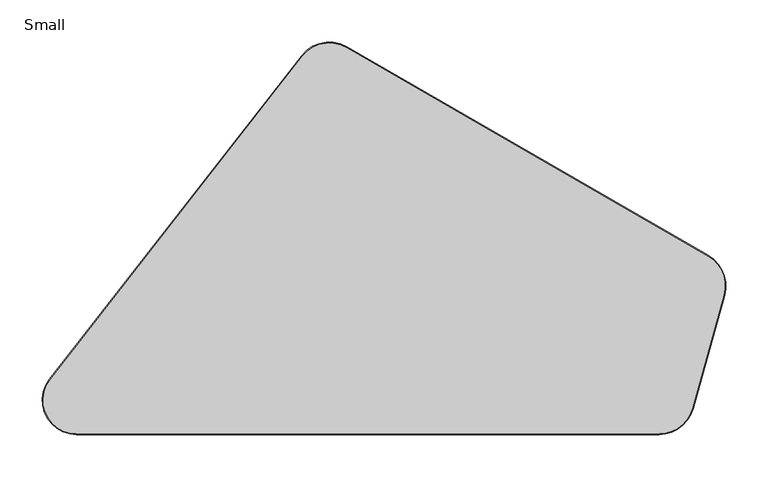
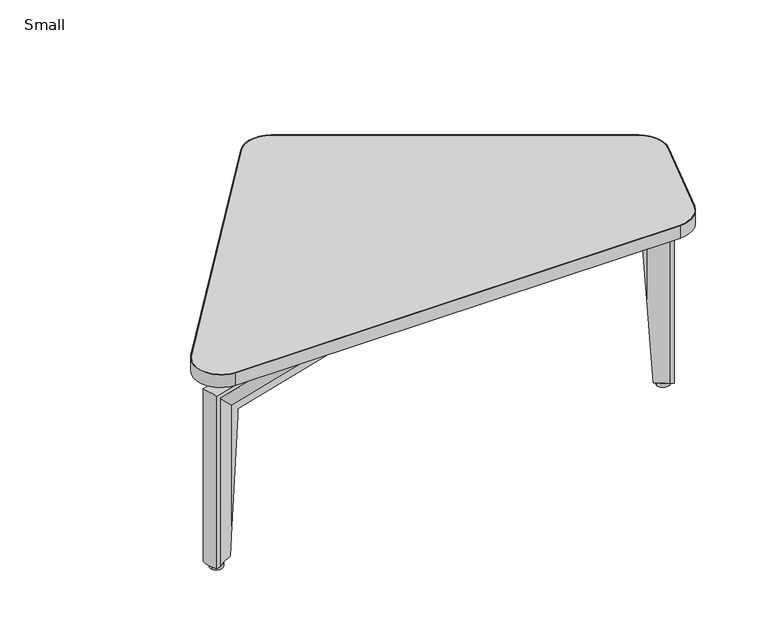
"""IFC4 building model written with IfcOpenShell, lengths in millimetres: furniture geometry, Small."""

from ifc_helpers import new_model, si_unit, point, frame, frame_2d, origin, origin_with_axes, place, context, project, spatial, polyline, circle_curve, ellipse_curve, trimmed, segment, composite_curve, outline, extrude, source, transform, mapped, element, save
from ifc_brep_helpers import plane_surface, cylinder_surface, revolved_surface, advanced_brep


def small_e50efd84(model_context):
    return source(origin(), model_context, "Body", "SolidModel", [
        extrude(outline(composite_curve([segment(trimmed(circle_curve(frame_2d((40.6545203, 40.407169)), 40.5398584), [point((40.6545203, -0.1326894))], [point((8.67386, 65.3213715))], False, "CARTESIAN"), True, "CONTINUOUS"), segment(polyline([(8.67386, 65.3213715), (307.2283656, 448.5554009)]), True, "CONTINUOUS"), segment(trimmed(circle_curve(frame_2d((340.1141774, 422.9360495)), 41.6872617), [point((307.2283656, 448.5554009))], [point((360.9578078, 459.0382773))], False, "CARTESIAN"), True, "CONTINUOUS"), segment(polyline([(360.9578078, 459.0382773), (788.8419106, 211.9992817)]), True, "CONTINUOUS"), segment(trimmed(circle_curve(frame_2d((768.013911, 175.9241273)), 41.656), [point((788.8419106, 211.9992817))], [point((808.1468882, 164.7631919))], False, "CARTESIAN"), True, "CONTINUOUS"), segment(polyline([(808.1468882, 164.7631919), (770.7701738, 30.3623752)]), True, "CONTINUOUS"), segment(trimmed(circle_curve(frame_2d((730.6371966, 41.5233106)), 41.656), [point((770.7701738, 30.3623752))], [point((730.6371966, -0.1326894))], False, "CARTESIAN"), True, "CONTINUOUS"), segment(polyline([(730.6371966, -0.1326894), (40.6545203, -0.1326894)]), True, "CONTINUOUS")], self_intersect=False), holes=[composite_curve([segment(trimmed(circle_curve(frame_2d((730.6371966, 41.5233106)), 40.64), [point((730.6371966, 0.8833106))], [point((769.7913206, 30.6345932))], True, "CARTESIAN"), True, "CONTINUOUS"), segment(polyline([(769.7913206, 30.6345932), (807.1680351, 165.0354098)]), True, "CONTINUOUS"), segment(trimmed(circle_curve(frame_2d((768.013911, 175.9241273)), 40.64), [point((807.1680351, 165.0354098))], [point((788.3339106, 211.1193999))], True, "CARTESIAN"), True, "CONTINUOUS"), segment(polyline([(788.3339106, 211.1193999), (360.4498078, 458.1583955)]), True, "CONTINUOUS"), segment(trimmed(circle_curve(frame_2d((340.1141774, 422.9360495)), 40.6712617), [point((360.4498078, 458.1583955))], [point((308.0298571, 447.9310073))], True, "CARTESIAN"), True, "CONTINUOUS"), segment(polyline([(308.0298571, 447.9310073), (9.4753515, 64.6969778)]), True, "CONTINUOUS"), segment(trimmed(circle_curve(frame_2d((40.6545203, 40.407169)), 39.5238584), [point((9.4753515, 64.6969778))], [point((40.6545203, 0.8833106))], True, "CARTESIAN"), True, "CONTINUOUS"), segment(polyline([(40.6545203, 0.8833106), (730.6371966, 0.8833106)]), True, "CONTINUOUS")], self_intersect=False)]), frame((0.0, 0.0, 311.1393175), z_axis=(0.0, 0.0, 1.0), x_axis=(1.0, 0.0, 0.0)), (0.0, 0.0, 1.0), 20.7880843),
        extrude(outline(composite_curve([segment(polyline([(730.6371966, 0.8833106), (40.6545203, 0.8833106)]), True, "CONTINUOUS"), segment(trimmed(circle_curve(frame_2d((40.6545203, 40.407169)), 39.5238584), [point((40.6545203, 0.8833106))], [point((9.4753515, 64.6969778))], False, "CARTESIAN"), True, "CONTINUOUS"), segment(polyline([(9.4753515, 64.6969778), (308.0298571, 447.9310073)]), True, "CONTINUOUS"), segment(trimmed(circle_curve(frame_2d((340.1141774, 422.9360495)), 40.6712617), [point((308.0298571, 447.9310073))], [point((360.4498078, 458.1583955))], False, "CARTESIAN"), True, "CONTINUOUS"), segment(polyline([(360.4498078, 458.1583955), (788.3339106, 211.1193999)]), True, "CONTINUOUS"), segment(trimmed(circle_curve(frame_2d((768.013911, 175.9241273)), 40.64), [point((788.3339106, 211.1193999))], [point((807.1680351, 165.0354098))], False, "CARTESIAN"), True, "CONTINUOUS"), segment(polyline([(807.1680351, 165.0354098), (769.7913206, 30.6345932)]), True, "CONTINUOUS"), segment(trimmed(circle_curve(frame_2d((730.6371966, 41.5233106)), 40.64), [point((769.7913206, 30.6345932))], [point((730.6371966, 0.8833106))], False, "CARTESIAN"), True, "CONTINUOUS")], self_intersect=False)), frame((0.0, 0.0, 311.1393175), z_axis=(0.0, 0.0, 1.0), x_axis=(1.0, 0.0, 0.0)), (0.0, 0.0, 1.0), 20.7880843),
        advanced_brep(
        [(543.1736418, 176.5990832, 289.6785635), (543.1736418, 176.5990832, 283.3285635), (541.1855552, 169.5172918, 253.1125717), (541.1855552, 169.5172918, 240.9225725), (538.5294964, 160.0561071, 240.9225725), (538.5294964, 160.0561071, 253.4109455), (536.3084403, 152.1444516, 284.0790905), (536.3084403, 152.1444516, 289.6785635), (771.365299, 86.1564324, 289.6785635), (778.2305005, 110.611064, 289.6785635), (765.974234, 87.6698777, 284.0790905), (765.974234, 87.6698777, 6.3562496), (771.365299, 86.1564324, 6.3562496), (738.6685898, 103.8706275, 253.4109455), (717.5744852, 109.792421, 240.9225725), (717.5744852, 109.792421, 247.0783838), (724.2136098, 107.9286052, 247.0783838), (732.8882013, 105.4933685, 238.801617), (738.6685898, 103.8706275, 145.3207283), (722.2415809, 118.689043, 240.9225725), (741.0373801, 113.4124577, 253.1125717), (741.0373801, 113.4124577, 182.4891006), (737.555297, 114.3899904, 238.801617), (728.8807055, 116.8252272, 247.0783838), (722.2415809, 118.689043, 247.0783838), (772.1168426, 112.3273644, 283.3285635), (778.2305005, 110.611064, 6.3562496), (772.1168426, 112.3273644, 6.3562496), (747.0518071, 101.0586939, 6.3562496), (752.5310958, 111.5035538, 6.3562496)],
        [
            (0, 1),
            (1, 2, circle_curve(frame((561.6608892, 242.4527695, 250.6746121), z_axis=(0.9627807729014543, -0.270283523973028, 0.0), x_axis=(0.0, 0.0, -1.0)), 75.7942403)),
            (2, 3),
            (3, 4),
            (4, 5),
            (5, 6, circle_curve(frame((523.6386719, 107.0132899, 255.0837365), z_axis=(0.9627807729014543, -0.270283523973028, 0.0), x_axis=(0.0, 0.0, -1.0)), 55.1187386)),
            (6, 7),
            (7, 0, circle_curve(frame((539.741041, 164.3717674, 254.503341), z_axis=(-0.9627807729014543, 0.270283523973028, 0.0), x_axis=(0.0, 0.0, -1.0)), 37.3976775)),
            (7, 8),
            (8, 9, ellipse_curve(frame((740.9318718, 107.8910313, 254.503341), z_axis=(-0.6807888133146391, 0.19111931264433382, 0.7071067811865492), x_axis=(-0.6807888133146484, 0.191119312644316, -0.7071067811865454)), 52.8883027, 37.3976775)),
            (9, 0),
            (6, 10),
            (10, 11),
            (11, 12),
            (12, 8),
            (5, 13),
            (13, 10, ellipse_curve(frame((725.3882963, 50.3756825, 255.0837365), z_axis=(0.6807888133146391, -0.19111931264433382, -0.7071067811865492), x_axis=(0.6807888133146484, -0.191119312644316, 0.7071067811865454)), 77.9496676, 55.1187386)),
            (4, 14),
            (14, 15),
            (15, 16),
            (16, 17, ellipse_curve(frame((724.2136098, 107.9286052, 238.2479645), z_axis=(0.27028352397302813, 0.9627807729014543, 0.0), x_axis=(-0.9627807729014541, 0.2702835239730285, 0.0)), 9.0276961, 8.8304193)),
            (17, 18),
            (18, 13),
            (3, 19),
            (19, 14),
            (2, 20),
            (20, 21),
            (21, 22),
            (22, 23, ellipse_curve(frame((728.8807055, 116.8252272, 238.2479645), z_axis=(-0.2702835239730279, -0.9627807729014544, 0.0), x_axis=(-0.9627807729014541, 0.27028352397302874, 0.0)), 9.0276961, 8.8304193)),
            (23, 24),
            (24, 19),
            (1, 25),
            (25, 20, ellipse_curve(frame((759.1654935, 187.0068758, 250.6746121), z_axis=(0.6807888133146391, -0.19111931264433382, -0.7071067811865492), x_axis=(0.6807888133146484, -0.191119312644316, 0.7071067811865454)), 107.1892425, 75.7942403)),
            (9, 26),
            (26, 27),
            (27, 25),
            (11, 28, circle_curve(frame((725.3882963, 50.3756825, 6.3562496), z_axis=(0.0, 0.0, 1.0), x_axis=(-0.9627807729014543, 0.27028352397302785, 0.0)), 55.1187386)),
            (28, 29),
            (29, 27, circle_curve(frame((759.1654935, 187.0068758, 6.3562496), z_axis=(0.0, 0.0, 1.0), x_axis=(-0.9627807729014543, 0.27028352397302785, 0.0)), 75.7942403)),
            (26, 12, circle_curve(frame((740.9318718, 107.8910313, 6.3562496), z_axis=(0.0, 0.0, -1.0), x_axis=(-0.9627807729014543, 0.27028352397302785, 0.0)), 37.3976775)),
            (18, 28, ellipse_curve(frame((725.3882963, 50.3756825, -63.0585856), z_axis=(-0.8838043078861905, 0.4636365673163191, -0.06269831583824448), x_axis=(0.05552228032704351, -0.02912653766305661, -0.9980325251168158)), 879.1103529, 55.1187386)),
            (29, 21, ellipse_curve(frame((759.1654935, 187.0068758, 471.1628618), z_axis=(-0.8838043078861905, 0.4636365673163191, -0.06269831583824448), x_axis=(0.05552228032704351, -0.02912653766305661, -0.9980325251168158)), 1208.8720287, 75.7942403)),
            (24, 15),
            (23, 16),
            (17, 22),
        ],
        [
            plane_surface(frame((539.8671029, 164.8208142, 241.3236963), z_axis=(-0.9627807729014544, 0.27028352397302796, 0.0), x_axis=(0.27028352397302796, 0.9627807729014544, 0.0))),
            cylinder_surface(frame((539.741041, 164.3717674, 254.503341), z_axis=(-0.9627807729014543, 0.270283523973028, 0.0), x_axis=(0.0, 0.0, -1.0)), 37.3976775),
            plane_surface(frame((536.3084403, 152.1444516, 284.0790905), z_axis=(-0.27028352397302796, -0.9627807729014544, 0.0), x_axis=(0.9627807729014544, -0.27028352397302796, 0.0))),
            revolved_surface(polyline([(778.4555579995653, 35.47799559279463, 199.9649979), (523.6386718682058, 107.01328990892564, 199.9649979)]), (523.6386719, 107.0132899, 255.0837365), (0.9627807729014543, -0.270283523973028, 0.0)),
            plane_surface(frame((538.5294964, 160.0561071, 240.9225725), z_axis=(-0.27028352397302813, -0.9627807729014543, 0.0), x_axis=(0.9627807729014543, -0.27028352397302813, 0.0))),
            plane_surface(frame((541.1855552, 169.5172918, 240.9225725), z_axis=(0.0, 0.0, -1.0), x_axis=(0.9627807729014544, -0.27028352397302785, 0.0))),
            plane_surface(frame((541.1855552, 169.5172918, 253.1125717), z_axis=(0.2702835239730279, 0.9627807729014544, 0.0), x_axis=(0.9627807729014544, -0.2702835239730279, 0.0))),
            revolved_surface(polyline([(832.1387306853444, 166.5209413923777, 174.88037179999998), (561.6608892, 242.4527695, 174.88037179999998)]), (561.6608892, 242.4527695, 250.6746121), (0.9627807729014543, -0.270283523973028, 0.0)),
            plane_surface(frame((543.1736418, 176.5990832, 289.6785635), z_axis=(0.2702835239730279, 0.9627807729014544, 0.0), x_axis=(0.9627807729014544, -0.2702835239730279, 0.0))),
            plane_surface(frame((728.3688252, 111.902319, 6.3562496), z_axis=(0.0, 0.0, -1.0000000000000002), x_axis=(0.27028352397302796, 0.9627807729014544, 0.0))),
            cylinder_surface(frame((740.9318718, 107.8910313, 241.3236963), z_axis=(0.0, 0.0, 1.0), x_axis=(-0.9627807729014543, 0.27028352397302785, 0.0)), 37.3976775),
            revolved_surface(polyline([(672.3210345493387, 65.27336940575616, -940.4393109611221), (672.3210345493387, 65.27336940575616, 814.3221397611219)]), (725.3882963, 50.3756825, 241.3236963), (0.0, 0.0, -1.0)),
            revolved_surface(polyline([(686.1922562424875, 207.4928101651425, -735.330741546549), (686.1922562424875, 207.4928101651425, 1677.656465146549)]), (759.1654935, 187.0068758, 241.3236963), (0.0, 0.0, -1.0)),
            plane_surface(frame((624.1404984, -68.3155323, 247.0783838), z_axis=(0.8855465985767791, -0.46455055887287117, 0.0), x_axis=(0.46455055887287117, 0.8855465985767791, 0.0))),
            plane_surface(frame((630.1135906, -71.448968, 247.0783838), z_axis=(0.0, 0.0, -1.0), x_axis=(0.4645505588728716, 0.8855465985767789, 0.0))),
            plane_surface(frame((652.2272236, -83.0496004, -18.4125535), z_axis=(-0.8838043078861907, 0.4636365673163192, -0.06269831583824449), x_axis=(0.4645505588728714, 0.885546598576779, 0.0))),
            revolved_surface(polyline([(715.5219175686885, 110.36864271664729, 238.2479645), (721.9329022104032, 122.58954210975725, 238.2479645)]), (904.3931396, 451.3947074, 238.2479645), (-0.46455055887287133, -0.885546598576779, 0.0)),
        ],
        [
            (0, [[1, 2, 3, 4, 5, 6, 7, 8]]),
            (1, [[-8, 9, 10, 11]]),
            (2, [[-7, 12, 13, 14, 15, -9]]),
            (3, [[-6, 16, 17, -12]]),
            (4, [[-5, 18, 19, 20, 21, 22, 23, -16]]),
            (5, [[-4, 24, 25, -18]]),
            (6, [[-3, 26, 27, 28, 29, 30, 31, -24]]),
            (7, [[-2, 32, 33, -26]]),
            (8, [[-1, -11, 34, 35, 36, -32]]),
            (9, [[-14, 37, 38, 39, -35, 40]]),
            (10, [[-10, -15, -40, -34]]),
            (11, [[-13, -17, -23, 41, -37]]),
            (12, [[-33, -36, -39, 42, -27]]),
            (13, [[43, -19, -25, -31]]),
            (14, [[-43, -30, 44, -20]]),
            (15, [[45, -28, -42, -38, -41, -22]]),
            (16, [[-44, -29, -45, -21]]),
        ],
    ),
        advanced_brep(
        [(58.5823171, 45.8958496, 232.451617), (65.4518817, 38.1084779, 232.451617), (65.5702767, 37.7049539, 229.615697), (53.8733502, 34.273046, 53.8484301), (50.8382888, 33.2035487, 6.3562496), (43.3104301, 41.7371656, 6.3562496), (50.8204219, 43.6184898, 115.8152423), (62.8036532, 47.1344003, 239.2916236), (410.5009039, 131.242848, 289.6785635), (410.5009039, 131.242848, 283.3285635), (408.4300585, 138.3008829, 253.1125717), (408.4300585, 138.3008829, 240.9225725), (405.6634351, 147.7303293, 240.9225725), (405.6634351, 147.7303293, 253.4109455), (403.3499223, 155.6154445, 284.0790905), (403.3499223, 155.6154445, 289.6785635), (13.7062783, 41.2930118, 289.6785635), (20.8572599, 16.9204152, 289.6785635), (19.0792585, 42.8694578, 284.0790905), (19.0792585, 42.8694578, 6.3562496), (13.7062783, 41.2930118, 6.3562496), (50.8204219, 43.6184898, 253.4109455), (62.8036532, 47.1344003, 240.9225725), (65.5702767, 37.7049539, 240.9225725), (53.8733502, 34.273046, 253.1125717), (26.9504091, 18.7081606, 283.3285635), (20.8572599, 16.9204152, 6.3562496), (26.9504091, 18.7081606, 6.3562496)],
        [
            (0, 1),
            (1, 2),
            (2, 3),
            (3, 4, ellipse_curve(frame((77.5403647, -37.7313933, -421.8612726), z_axis=(-0.7484410259791207, -0.6602309836885644, 0.0626983158382421), x_axis=(-0.04701849955005432, -0.04147697564931057, -0.9980325251168161)), 1208.8720287, 75.7942403)),
            (4, 5),
            (5, 6, ellipse_curve(frame((33.7046036, 96.0124218, 463.2235629), z_axis=(-0.7484410259791207, -0.6602309836885644, 0.0626983158382421), x_axis=(-0.04701849955005432, -0.04147697564931057, -0.9980325251168161)), 879.1103529, 55.1187386)),
            (6, 0),
            (0, 7, ellipse_curve(frame((67.9180539, 48.6349784, 231.8979645), z_axis=(-0.2815347087151925, 0.9595510449104059, 0.0), x_axis=(-0.9595510449104059, -0.2815347087151925, 0.0)), 9.7484557, 8.8304193)),
            (7, 1, ellipse_curve(frame((59.5951664, 58.0698438, 231.8979645), z_axis=(0.9595510449104108, 0.2815347087151761, 0.0), x_axis=(-0.28153470871517605, 0.9595510449104108, 0.0)), 20.8438279, 8.8304193)),
            (8, 9),
            (9, 10, circle_curve(frame((429.7577263, 65.6100734, 250.6746121), z_axis=(-0.9595510449104059, -0.28153470871519265, 0.0), x_axis=(0.0, 0.0, -1.0)), 75.7942403)),
            (10, 11),
            (11, 12),
            (12, 13),
            (13, 14, circle_curve(frame((390.1527451, 200.59521, 255.0837365), z_axis=(-0.9595510449104059, -0.28153470871519265, 0.0), x_axis=(0.0, 0.0, -1.0)), 55.1187386)),
            (14, 15),
            (15, 8, circle_curve(frame((406.9254131, 143.4291463, 254.503341), z_axis=(0.9595510449104059, 0.28153470871519265, 0.0), x_axis=(0.0, 0.0, -1.0)), 37.3976775)),
            (15, 16),
            (16, 17, ellipse_curve(frame((51.0341907, 39.0097595, 254.503341), z_axis=(0.6785050507507863, 0.19907510167188225, 0.7071067811865492), x_axis=(0.6785050507507845, 0.19907510167190196, -0.7071067811865456)), 52.8883027, 37.3976775)),
            (17, 8),
            (14, 18),
            (18, 19),
            (19, 20),
            (20, 16),
            (13, 21),
            (21, 18, ellipse_curve(frame((33.7046036, 96.0124218, 255.0837365), z_axis=(-0.6785050507507863, -0.19907510167188225, -0.7071067811865492), x_axis=(-0.6785050507507845, -0.19907510167190196, 0.7071067811865456)), 77.9496676, 55.1187386)),
            (12, 22),
            (22, 7),
            (6, 21),
            (11, 23),
            (23, 22),
            (10, 24),
            (24, 3),
            (2, 23),
            (9, 25),
            (25, 24, ellipse_curve(frame((77.5403647, -37.7313933, 250.6746121), z_axis=(-0.6785050507507863, -0.19907510167188225, -0.7071067811865492), x_axis=(-0.6785050507507845, -0.19907510167190196, 0.7071067811865456)), 107.1892425, 75.7942403)),
            (17, 26),
            (26, 27),
            (27, 25),
            (19, 5, circle_curve(frame((33.7046036, 96.0124218, 6.3562496), z_axis=(0.0, 0.0, 1.0), x_axis=(0.9595510449104059, 0.28153470871519254, 0.0)), 55.1187386)),
            (4, 27, circle_curve(frame((77.5403647, -37.7313933, 6.3562496), z_axis=(0.0, 0.0, 1.0), x_axis=(0.9595510449104059, 0.28153470871519254, 0.0)), 75.7942403)),
            (26, 20, circle_curve(frame((51.0341907, 39.0097595, 6.3562496), z_axis=(0.0, 0.0, -1.0), x_axis=(0.9595510449104059, 0.28153470871519254, 0.0)), 37.3976775)),
        ],
        [
            plane_surface(frame((-19.1391119, 109.5750948, -24.7625535), z_axis=(0.7484410259791207, 0.6602309836885644, -0.0626983158382421), x_axis=(0.6615325323303327, -0.7499164677939919, 0.0))),
            revolved_surface(polyline([(53.72690538609962, 78.07056064352618, 231.8979645), (78.70758110051744, 49.75234622575219, 231.8979645)]), (216.5872581, -119.8971482, 231.8979645), (-0.6615325323303327, 0.749916467793992, 0.0)),
            plane_surface(frame((407.0567226, 142.9816058, 241.3236963), z_axis=(0.9595510449104059, 0.2815347087151925, 0.0), x_axis=(0.2815347087151925, -0.9595510449104059, 0.0))),
            cylinder_surface(frame((406.9254131, 143.4291463, 254.503341), z_axis=(0.9595510449104059, 0.28153470871519265, 0.0), x_axis=(0.0, 0.0, -1.0)), 37.3976775),
            plane_surface(frame((403.3499223, 155.6154445, 284.0790905), z_axis=(-0.2815347087151926, 0.9595510449104059, 0.0), x_axis=(-0.9595510449104059, -0.2815347087151926, 0.0))),
            revolved_surface(polyline([(-19.184639573107063, 80.49458380460852, 199.9649979), (390.15274510733434, 200.5952100021519, 199.9649979)]), (390.1527451, 200.59521, 255.0837365), (-0.9595510449104059, -0.28153470871519265, 0.0)),
            plane_surface(frame((405.6634351, 147.7303293, 240.9225725), z_axis=(-0.2815347087151925, 0.9595510449104059, 0.0), x_axis=(-0.9595510449104059, -0.2815347087151925, 0.0))),
            plane_surface(frame((408.4300585, 138.3008829, 240.9225725), z_axis=(0.0, 0.0, -1.0), x_axis=(-0.9595510449104059, -0.28153470871519254, 0.0))),
            plane_surface(frame((408.4300585, 138.3008829, 253.1125717), z_axis=(0.28153470871519265, -0.9595510449104059, 0.0), x_axis=(-0.9595510449104059, -0.28153470871519265, 0.0))),
            revolved_surface(polyline([(4.8119222629396745, -59.0701025988576, 174.88037179999998), (429.75772632265193, 65.61007340664614, 174.88037179999998)]), (429.7577263, 65.6100734, 250.6746121), (-0.9595510449104059, -0.28153470871519265, 0.0)),
            plane_surface(frame((410.5009039, 131.242848, 289.6785635), z_axis=(0.2815347087151924, -0.9595510449104059, 0.0), x_axis=(-0.9595510449104059, -0.2815347087151924, 0.0))),
            plane_surface(frame((63.812042, 42.2727465, 6.3562496), z_axis=(0.0, 0.0, -1.0), x_axis=(0.2815347087151925, -0.9595510449104059, 0.0))),
            cylinder_surface(frame((51.0341907, 39.0097595, 241.3236963), z_axis=(0.0, 0.0, 1.0), x_axis=(0.9595510449104059, 0.28153470871519254, 0.0)), 37.3976775),
            revolved_surface(polyline([(86.59384681777352, 111.53025981649984, -414.15716246112225), (86.59384681777352, 111.53025981649984, 1340.6042882611223)]), (33.7046036, 96.0124218, 241.3236963), (0.0, 0.0, -1.0)),
            plane_surface(frame((65.5702767, 37.7049539, 240.9225725), z_axis=(0.9595510449104108, 0.2815347087151761, 0.0), x_axis=(0.0, 0.0, -1.0))),
            revolved_surface(polyline([(150.2688071780554, -16.392683934850194, -1628.3548759465493), (150.2688071780554, -16.392683934850194, 784.6323307465491)]), (77.5403647, -37.7313933, 241.3236963), (0.0, 0.0, -1.0)),
        ],
        [
            (0, [[1, 2, 3, 4, 5, 6, 7]]),
            (1, [[-1, 8, 9]]),
            (2, [[10, 11, 12, 13, 14, 15, 16, 17]]),
            (3, [[-17, 18, 19, 20]]),
            (4, [[-16, 21, 22, 23, 24, -18]]),
            (5, [[-15, 25, 26, -21]]),
            (6, [[-14, 27, 28, -8, -7, 29, -25]]),
            (7, [[-13, 30, 31, -27]]),
            (8, [[-12, 32, 33, -3, 34, -30]]),
            (9, [[-11, 35, 36, -32]]),
            (10, [[-10, -20, 37, 38, 39, -35]]),
            (11, [[-23, 40, -5, 41, -38, 42]]),
            (12, [[-19, -24, -42, -37]]),
            (13, [[-22, -26, -29, -6, -40]]),
            (14, [[-31, -34, -2, -9, -28]]),
            (15, [[-36, -39, -41, -4, -33]]),
        ],
    ),
        advanced_brep(
        [(461.60888, 243.2047651, 289.6785635), (439.2503998, 231.1524474, 289.6785635), (439.2503998, 231.1524474, 284.0790905), (446.4839005, 235.0516591, 253.4109455), (446.4839005, 235.0516591, 240.9225725), (455.1341109, 239.7145469, 240.9225725), (455.1341109, 239.7145469, 253.1125717), (461.60888, 243.2047651, 283.3285635), (345.7625244, 458.1135071, 289.6785635), (323.4040442, 446.0611894, 289.6785635), (323.4040442, 446.0611894, 6.3562496), (326.0609981, 441.1322246, 6.3562496), (326.0609981, 441.1322246, 284.0790905), (347.8465549, 418.0356445, 253.4109455), (347.8465549, 418.0356445, 165.0499583), (349.8557339, 414.308379, 232.451617), (353.7722967, 407.0426901, 240.7106743), (353.7722967, 407.0426901, 240.9225725), (362.4225071, 411.7055779, 240.9225725), (362.4225071, 411.7055779, 240.7106743), (358.5059444, 418.9712668, 232.451617), (356.638344, 422.4358873, 169.7994752), (356.638344, 422.4358873, 253.1125717), (348.7756039, 452.5238871, 283.3285635), (348.7756039, 452.5238871, 6.3562496), (345.7625244, 458.1135071, 6.3562496), (352.6758577, 431.9645045, 6.3562496), (342.5855989, 426.52536, 6.3562496)],
        [
            (0, 1, circle_curve(frame((450.4296399, 237.1786062, 254.503341), z_axis=(0.47450069910366655, -0.880255125830081, 0.0), x_axis=(0.0, 0.0, -1.0)), 37.3976775)),
            (1, 2),
            (2, 3, circle_curve(frame((397.9876975, 208.9098264, 255.0837365), z_axis=(-0.47450069910366655, 0.880255125830081, 0.0), x_axis=(0.0, 0.0, -1.0)), 55.1187386)),
            (3, 4),
            (4, 5),
            (5, 6),
            (6, 7, circle_curve(frame((521.8178565, 275.6603573, 250.6746121), z_axis=(-0.47450069910366655, 0.880255125830081, 0.0), x_axis=(0.0, 0.0, -1.0)), 75.7942403)),
            (7, 0),
            (0, 8),
            (8, 9, ellipse_curve(frame((351.273952, 421.1241783, 254.503341), z_axis=(0.33552266201396785, -0.6224343686486616, 0.7071067811865492), x_axis=(0.3355226620139525, -0.6224343686486743, -0.7071067811865457)), 52.8883027, 37.3976775)),
            (9, 1),
            (9, 10),
            (10, 11),
            (11, 12),
            (12, 2),
            (12, 13, ellipse_curve(frame((298.5566115, 393.3662946, 255.0837365), z_axis=(-0.33552266201396785, 0.6224343686486616, -0.7071067811865492), x_axis=(-0.3355226620139525, 0.6224343686486743, 0.7071067811865457)), 77.9496676, 55.1187386)),
            (13, 3),
            (13, 14),
            (14, 15),
            (15, 16, circle_curve(frame((354.0375302, 406.5506504, 231.8979645), z_axis=(0.880255125830081, 0.4745006991036665, 0.0), x_axis=(0.4745006991036665, -0.880255125830081, 0.0)), 8.8304193)),
            (16, 17),
            (17, 4),
            (17, 18),
            (18, 5),
            (18, 19),
            (19, 20, circle_curve(frame((362.6877407, 411.2135382, 231.8979645), z_axis=(-0.880255125830081, -0.4745006991036665, 0.0), x_axis=(0.4745006991036665, -0.880255125830081, 0.0)), 8.8304193)),
            (20, 21),
            (21, 22),
            (22, 6),
            (22, 23, ellipse_curve(frame((424.4789031, 456.2356712, 250.6746121), z_axis=(-0.33552266201396785, 0.6224343686486616, -0.7071067811865492), x_axis=(-0.3355226620139525, 0.6224343686486743, 0.7071067811865457)), 107.1892425, 75.7942403)),
            (23, 7),
            (23, 24),
            (24, 25),
            (25, 8),
            (10, 25, circle_curve(frame((351.273952, 421.1241783, 6.3562496), z_axis=(0.0, 0.0, -1.0), x_axis=(0.47450069910366655, -0.880255125830081, 0.0)), 37.3976775)),
            (24, 26, circle_curve(frame((424.4789031, 456.2356712, 6.3562496), z_axis=(0.0, 0.0, 1.0), x_axis=(0.47450069910366655, -0.880255125830081, 0.0)), 75.7942403)),
            (26, 27),
            (27, 11, circle_curve(frame((298.5566115, 393.3662946, 6.3562496), z_axis=(0.0, 0.0, 1.0), x_axis=(0.47450069910366655, -0.880255125830081, 0.0)), 55.1187386)),
            (27, 14, ellipse_curve(frame((298.5566115, 393.3662946, 138.422452), z_axis=(0.473567130896126, -0.8785232459792168, -0.06269831583824267), x_axis=(-0.02975039469788083, 0.05519051389751991, -0.9980325251168161)), 879.1103529, 55.1187386)),
            (16, 19),
            (21, 26, ellipse_curve(frame((424.4789031, 456.2356712, 208.6069453), z_axis=(0.473567130896126, -0.8785232459792168, -0.06269831583824267), x_axis=(-0.02975039469788083, 0.05519051389751991, -0.9980325251168161)), 1208.8720287, 75.7942403)),
            (20, 15),
        ],
        [
            plane_surface(frame((450.8401963, 237.3999163, 241.3236963), z_axis=(0.4745006991036665, -0.880255125830081, 0.0), x_axis=(0.880255125830081, 0.4745006991036665, 0.0))),
            cylinder_surface(frame((450.4296399, 237.1786062, 254.503341), z_axis=(0.47450069910366655, -0.880255125830081, 0.0), x_axis=(0.0, 0.0, -1.0)), 37.3976775),
            plane_surface(frame((439.2503998, 231.1524474, 289.6785635), z_axis=(-0.8802551258300811, -0.4745006991036664, 0.0), x_axis=(-0.4745006991036664, 0.8802551258300811, 0.0))),
            revolved_surface(polyline([(272.4027315266128, 441.8848467405258, 199.9649979), (397.9876975, 208.9098264, 199.9649979)]), (397.9876975, 208.9098264, 255.0837365), (-0.47450069910366655, 0.880255125830081, 0.0)),
            plane_surface(frame((446.4839005, 235.0516591, 253.4109455), z_axis=(-0.880255125830081, -0.4745006991036667, 0.0), x_axis=(-0.4745006991036667, 0.880255125830081, 0.0))),
            plane_surface(frame((446.4839005, 235.0516591, 240.9225725), z_axis=(0.0, 0.0, -1.0), x_axis=(-0.4745006991036666, 0.880255125830081, 0.0))),
            plane_surface(frame((455.1341109, 239.7145469, 240.9225725), z_axis=(0.8802551258300809, 0.47450069910366677, 0.0), x_axis=(-0.47450069910366677, 0.8802551258300809, 0.0))),
            revolved_surface(polyline([(388.5144831055834, 522.953939675187, 174.88037179999998), (521.8178565, 275.6603573, 174.88037179999998)]), (521.8178565, 275.6603573, 250.6746121), (-0.47450069910366655, 0.880255125830081, 0.0)),
            plane_surface(frame((461.60888, 243.2047651, 283.3285635), z_axis=(0.880255125830081, 0.47450069910366655, 0.0), x_axis=(-0.47450069910366655, 0.880255125830081, 0.0))),
            plane_surface(frame((357.938259, 409.7440386, 6.3562496), z_axis=(0.0, 0.0, -1.0), x_axis=(0.880255125830081, 0.47450069910366655, 0.0))),
            cylinder_surface(frame((351.273952, 421.1241783, 241.3236963), z_axis=(0.0, 0.0, 1.0), x_axis=(0.47450069910366655, -0.880255125830081, 0.0)), 37.3976775),
            revolved_surface(polyline([(324.7104914994122, 344.84774241806167, -738.9582733611223), (324.7104914994122, 344.84774241806167, 1015.8031773611222)]), (298.5566115, 393.3662946, 241.3236963), (0.0, 0.0, -1.0)),
            plane_surface(frame((353.7722967, 407.0426901, 240.9225725), z_axis=(0.4745006991036816, -0.8802551258300729, 0.0), x_axis=(0.0, 0.0, -1.0))),
            revolved_surface(polyline([(460.4433231103813, 389.51740266752813, -997.8866580465492), (460.4433231103813, 389.51740266752813, 1415.1005486465492)]), (424.4789031, 456.2356712, 241.3236963), (0.0, 0.0, -1.0)),
            plane_surface(frame((86.7529312, 272.4830602, 232.451617), z_axis=(0.473567130896126, -0.8785232459792168, -0.06269831583824267), x_axis=(0.880255125830081, 0.4745006991036665, 0.0))),
            revolved_surface(polyline([(358.22757032818265, 398.7776285535967, 231.8979645), (366.87778082200504, 403.44051639857463, 231.8979645)]), (551.1282944, 512.7922418, 231.8979645), (-0.880255125830081, -0.4745006991036665, 0.0)),
        ],
        [
            (0, [[1, 2, 3, 4, 5, 6, 7, 8]]),
            (1, [[-1, 9, 10, 11]]),
            (2, [[-2, -11, 12, 13, 14, 15]]),
            (3, [[-3, -15, 16, 17]]),
            (4, [[-4, -17, 18, 19, 20, 21, 22]]),
            (5, [[-5, -22, 23, 24]]),
            (6, [[-6, -24, 25, 26, 27, 28, 29]]),
            (7, [[-7, -29, 30, 31]]),
            (8, [[-8, -31, 32, 33, 34, -9]]),
            (9, [[-13, 35, -33, 36, 37, 38]]),
            (10, [[-10, -34, -35, -12]]),
            (11, [[-14, -38, 39, -18, -16]]),
            (12, [[-23, -21, 40, -25]]),
            (13, [[-30, -28, 41, -36, -32]]),
            (14, [[42, -19, -39, -37, -41, -27]]),
            (15, [[-42, -26, -40, -20]]),
        ],
    ),
        extrude(outline(composite_curve([segment(trimmed(circle_curve(frame_2d((477.721421, 181.0664564)), 31.75), [point((445.971421, 181.0664564))], [point((509.471421, 181.0664564))], False, "CARTESIAN"), True, "CONTINUOUS"), segment(trimmed(circle_curve(frame_2d((477.721421, 181.0664564)), 31.75), [point((509.471421, 181.0664564))], [point((445.971421, 181.0664564))], False, "CARTESIAN"), True, "CONTINUOUS")], self_intersect=False)), frame((0.0, 0.0, 241.8524071), z_axis=(0.0, 0.0, 1.0), x_axis=(1.0, 0.0, 0.0)), (0.0, 0.0, 1.0), 43.9483711),
        extrude(outline(composite_curve([segment(polyline([(-4.5840778, 0.0), (0.0, 0.0), (0.0, -58.6005746)]), True, "CONTINUOUS"), segment(trimmed(circle_curve(frame_2d((-9.6882895, -58.6005746)), 9.6882895), [point((0.0, -58.6005746))], [point((-9.6882895, -68.2888642))], False, "CARTESIAN"), True, "CONTINUOUS"), segment(polyline([(-9.6882895, -68.2888642), (-44.6277972, -68.2888642)]), True, "CONTINUOUS"), segment(trimmed(circle_curve(frame_2d((-44.6277972, -55.5888642)), 12.7), [point((-44.6277972, -68.2888642))], [point((-57.3277972, -55.5888642))], False, "CARTESIAN"), True, "CONTINUOUS"), segment(polyline([(-57.3277972, -55.5888642), (-57.3277972, 0.1617765), (-50.0479626, 0.1617765), (-50.0479626, -54.9582084)]), True, "CONTINUOUS"), segment(trimmed(circle_curve(frame_2d((-42.0337655, -54.9582084)), 8.0141971), [point((-50.0479626, -54.9582084))], [point((-42.0337655, -62.9724055))], True, "CARTESIAN"), True, "CONTINUOUS"), segment(polyline([(-42.0337655, -62.9724055), (-12.9012907, -62.9724055)]), True, "CONTINUOUS"), segment(trimmed(circle_curve(frame_2d((-12.9012907, -54.6551926)), 8.3172129), [point((-12.9012907, -62.9724055))], [point((-4.5840778, -54.6551926))], True, "CARTESIAN"), True, "CONTINUOUS"), segment(polyline([(-4.5840778, -54.6551926), (-4.5840778, 0.0)]), True, "CONTINUOUS")], self_intersect=False)), frame((471.0475321, 148.3815307, 291.9003697), z_axis=(-0.2815347087151738, 0.9595510449104114, 0.0), x_axis=(0.0, 0.0, 1.0)), (0.0, 0.0, 1.0), 28.5549604),
        extrude(outline(composite_curve([segment(trimmed(circle_curve(frame_2d((28.2558644, 31.0414283)), 9.8672738), [point((19.2739279, 26.9563444))], [point((37.2378008, 35.1265121))], False, "CARTESIAN"), True, "CONTINUOUS"), segment(trimmed(circle_curve(frame_2d((28.2558644, 31.0414283)), 9.8672738), [point((37.2378008, 35.1265121))], [point((19.2739279, 26.9563444))], False, "CARTESIAN"), True, "CONTINUOUS")], self_intersect=False)), origin_with_axes(), (0.0, 0.0, 1.0), 6.6101858),
        extrude(outline(composite_curve([segment(polyline([(230.1541759, 80.3696211), (194.3780977, 71.6393985)]), True, "CONTINUOUS"), segment(trimmed(circle_curve(frame_2d((193.035946, 80.396562)), 8.8594178), [point((194.3780977, 71.6393985))], [point((190.1935191, 88.7876223))], False, "CARTESIAN"), True, "CONTINUOUS"), segment(polyline([(190.1935191, 88.7876223), (224.1745174, 100.2985041)]), True, "CONTINUOUS"), segment(trimmed(circle_curve(frame_2d((227.6845255, 90.4901422)), 10.4174911), [point((224.1745174, 100.2985041))], [point((230.1541759, 80.3696211))], False, "CARTESIAN"), True, "CONTINUOUS")], self_intersect=False)), frame((0.0, 0.0, 287.3162919), z_axis=(0.0, 0.0, 1.0), x_axis=(1.0, 0.0, 0.0)), (0.0, 0.0, 1.0), 14.2341844),
        advanced_brep(
        [(251.1161321, 129.167963, 308.101579), (176.7574918, 44.2119948, 308.101579), (185.7492448, 54.4852203, 308.101579), (242.1243791, 118.8947374, 308.101579), (191.8180902, 61.4189759, 301.5504764), (236.0555336, 111.9609819, 301.5504764), (213.9368119, 86.6899789, 301.5504764), (213.9368119, 86.6899789, 311.1393175), (176.7574918, 44.2119948, 311.1393175), (251.1161321, 129.167963, 311.1393175)],
        [
            (0, 1, circle_curve(frame((213.9368119, 86.6899789, 308.101579), z_axis=(0.0, 0.0, -1.0), x_axis=(-0.6586158074080292, -0.7524793806027312, 0.0)), 56.4506951)),
            (1, 2),
            (2, 3, circle_curve(frame((213.9368119, 86.6899789, 308.101579), z_axis=(0.0, 0.0, 1.0), x_axis=(-0.6586158074080292, -0.7524793806027312, 0.0)), 42.7981941)),
            (3, 0),
            (1, 0, circle_curve(frame((213.9368119, 86.6899789, 308.101579), z_axis=(0.0, 0.0, -1.0), x_axis=(-0.6586158074080292, -0.7524793806027312, 0.0)), 56.4506951)),
            (3, 2, circle_curve(frame((213.9368119, 86.6899789, 308.101579), z_axis=(0.0, 0.0, 1.0), x_axis=(-0.6586158074080292, -0.7524793806027312, 0.0)), 42.7981941)),
            (2, 4, circle_curve(frame((191.8180902, 61.4189759, 311.3064522), z_axis=(0.7524793806027312, -0.6586158074080292, 0.0), x_axis=(0.6586158074080292, 0.7524793806027312, 0.0)), 9.7559758)),
            (4, 5, circle_curve(frame((213.9368119, 86.6899789, 301.5504764), z_axis=(0.0, 0.0, 1.0), x_axis=(-0.6586158074080292, -0.7524793806027312, 0.0)), 33.5836484)),
            (5, 3, circle_curve(frame((236.0555336, 111.9609819, 311.3064522), z_axis=(0.7524793806027291, -0.6586158074080316, 0.0), x_axis=(-0.6586158074080316, -0.7524793806027291, 0.0)), 9.7559758)),
            (5, 4, circle_curve(frame((213.9368119, 86.6899789, 301.5504764), z_axis=(0.0, 0.0, 1.0), x_axis=(-0.6586158074080292, -0.7524793806027312, 0.0)), 33.5836484)),
            (4, 6),
            (6, 5),
            (7, 8),
            (8, 9, circle_curve(frame((213.9368119, 86.6899789, 311.1393175), z_axis=(0.0, 0.0, 1.0), x_axis=(-0.6586158074080292, -0.7524793806027312, 0.0)), 56.4506951)),
            (9, 7),
            (9, 8, circle_curve(frame((213.9368119, 86.6899789, 311.1393175), z_axis=(0.0, 0.0, 1.0), x_axis=(-0.6586158074080292, -0.7524793806027312, 0.0)), 56.4506951)),
            (8, 1),
            (0, 9),
        ],
        [
            plane_surface(frame((213.9368119, 86.6899789, 308.101579), z_axis=(0.0, 0.0, -1.0000000000000002), x_axis=(-0.6586158074080292, -0.7524793806027312, 0.0))),
            revolved_surface(trimmed(ellipse_curve(frame((191.8180902, 61.4189759, 311.3064522), z_axis=(-0.7524793806027312, 0.6586158074080292, 0.0), x_axis=(0.6586158074080292, 0.7524793806027312, 0.0)), 9.7559758, 9.7559758), [point((191.8180902, 61.4189759, 301.5504764))], [point((185.7492448, 54.4852203, 308.101579))], True, "CARTESIAN"), (213.9368119, 86.6899789, 317.4893175), (0.0, 0.0, 1.0)),
            plane_surface(frame((213.9368119, 86.6899789, 301.5504764), z_axis=(0.0, 0.0, -1.0000000000000002), x_axis=(-0.6586158074080292, -0.7524793806027312, 0.0))),
            plane_surface(frame((213.9368119, 86.6899789, 311.1393175), z_axis=(0.0, 0.0, 1.0000000000000002), x_axis=(-0.6586158074080292, -0.7524793806027312, 0.0))),
            cylinder_surface(frame((213.9368119, 86.6899789, 317.4893175), z_axis=(0.0, 0.0, 1.0), x_axis=(-0.6586158074080292, -0.7524793806027312, 0.0)), 56.4506951),
        ],
        [
            (0, [[1, 2, 3, 4]]),
            (0, [[5, -4, 6, -2]]),
            (1, [[-3, 7, 8, 9]]),
            (1, [[-6, -9, 10, -7]]),
            (2, [[-8, 11, 12]]),
            (2, [[-10, -12, -11]]),
            (3, [[13, 14, 15]]),
            (3, [[-15, 16, -13]]),
            (4, [[-14, 17, -1, 18]]),
            (4, [[-16, -18, -5, -17]]),
        ],
    ),
        advanced_brep(
        [(610.3178582, 185.5148238, 308.101579), (662.6670614, 85.4834045, 308.101579), (656.3367802, 97.5796157, 308.101579), (616.6481394, 173.4186126, 308.101579), (652.0642542, 105.7437674, 301.5504764), (620.9206654, 165.2544609, 301.5504764), (636.4924598, 135.4991142, 301.5504764), (636.4924598, 135.4991142, 311.1393175), (662.6670614, 85.4834045, 311.1393175), (610.3178582, 185.5148238, 311.1393175)],
        [
            (0, 1, circle_curve(frame((636.4924598, 135.4991142, 308.101579), z_axis=(0.0, 0.0, -1.0), x_axis=(0.4636719101899179, -0.886006974973015, 0.0)), 56.4506951)),
            (1, 2),
            (2, 3, circle_curve(frame((636.4924598, 135.4991142, 308.101579), z_axis=(0.0, 0.0, 1.0), x_axis=(0.4636719101899179, -0.886006974973015, 0.0)), 42.7981941)),
            (3, 0),
            (1, 0, circle_curve(frame((636.4924598, 135.4991142, 308.101579), z_axis=(0.0, 0.0, -1.0), x_axis=(0.4636719101899179, -0.886006974973015, 0.0)), 56.4506951)),
            (3, 2, circle_curve(frame((636.4924598, 135.4991142, 308.101579), z_axis=(0.0, 0.0, 1.0), x_axis=(0.4636719101899179, -0.886006974973015, 0.0)), 42.7981941)),
            (2, 4, circle_curve(frame((652.0642542, 105.7437674, 311.3064522), z_axis=(0.886006974973015, 0.4636719101899179, 0.0), x_axis=(-0.4636719101899179, 0.886006974973015, 0.0)), 9.7559758)),
            (4, 5, circle_curve(frame((636.4924598, 135.4991142, 301.5504764), z_axis=(0.0, 0.0, 1.0), x_axis=(0.4636719101899179, -0.886006974973015, 0.0)), 33.5836484)),
            (5, 3, circle_curve(frame((620.9206654, 165.2544609, 311.3064522), z_axis=(0.8860069749730164, 0.463671910189915, 0.0), x_axis=(0.463671910189915, -0.8860069749730164, 0.0)), 9.7559758)),
            (5, 4, circle_curve(frame((636.4924598, 135.4991142, 301.5504764), z_axis=(0.0, 0.0, 1.0), x_axis=(0.4636719101899179, -0.886006974973015, 0.0)), 33.5836484)),
            (4, 6),
            (6, 5),
            (7, 8),
            (8, 9, circle_curve(frame((636.4924598, 135.4991142, 311.1393175), z_axis=(0.0, 0.0, 1.0), x_axis=(0.4636719101899179, -0.886006974973015, 0.0)), 56.4506951)),
            (9, 7),
            (9, 8, circle_curve(frame((636.4924598, 135.4991142, 311.1393175), z_axis=(0.0, 0.0, 1.0), x_axis=(0.4636719101899179, -0.886006974973015, 0.0)), 56.4506951)),
            (8, 1),
            (0, 9),
        ],
        [
            plane_surface(frame((636.4924598, 135.4991142, 308.101579), z_axis=(0.0, 0.0, -1.0), x_axis=(0.4636719101899179, -0.886006974973015, 0.0))),
            revolved_surface(trimmed(ellipse_curve(frame((652.0642542, 105.7437674, 311.3064522), z_axis=(-0.886006974973015, -0.4636719101899179, 0.0), x_axis=(-0.4636719101899179, 0.886006974973015, 0.0)), 9.7559758, 9.7559758), [point((652.0642542, 105.7437674, 301.5504764))], [point((656.3367802, 97.5796157, 308.101579))], True, "CARTESIAN"), (636.4924598, 135.4991142, 317.4893175), (0.0, 0.0, 1.0)),
            plane_surface(frame((636.4924598, 135.4991142, 301.5504764), z_axis=(0.0, 0.0, -1.0), x_axis=(0.4636719101899179, -0.886006974973015, 0.0))),
            plane_surface(frame((636.4924598, 135.4991142, 311.1393175), z_axis=(0.0, 0.0, 1.0), x_axis=(0.4636719101899179, -0.886006974973015, 0.0))),
            cylinder_surface(frame((636.4924598, 135.4991142, 317.4893175), z_axis=(0.0, 0.0, 1.0), x_axis=(0.4636719101899179, -0.886006974973015, 0.0)), 56.4506951),
        ],
        [
            (0, [[1, 2, 3, 4]]),
            (0, [[5, -4, 6, -2]]),
            (1, [[-3, 7, 8, 9]]),
            (1, [[-6, -9, 10, -7]]),
            (2, [[-8, 11, 12]]),
            (2, [[-10, -12, -11]]),
            (3, [[13, 14, 15]]),
            (3, [[-15, 16, -13]]),
            (4, [[-14, 17, -1, 18]]),
            (4, [[-16, -18, -5, -17]]),
        ],
    ),
        advanced_brep(
        [(444.8654342, 325.3008818, 308.101579), (359.2690461, 325.3008818, 308.101579), (345.616545, 325.3008818, 308.101579), (458.5179352, 325.3008818, 308.101579), (435.6508885, 325.3008818, 301.5504764), (368.4835917, 325.3008818, 301.5504764), (402.0672401, 325.3008818, 301.5504764), (458.5179352, 325.3008818, 311.1393175), (345.616545, 325.3008818, 311.1393175), (402.0672401, 325.3008818, 311.1393175)],
        [
            (0, 1, circle_curve(frame((402.0672401, 325.3008818, 308.101579), z_axis=(0.0, 0.0, 1.0), x_axis=(-1.0, 0.0, 0.0)), 42.7981941)),
            (1, 2),
            (2, 3, circle_curve(frame((402.0672401, 325.3008818, 308.101579), z_axis=(0.0, 0.0, -1.0), x_axis=(-1.0, 0.0, 0.0)), 56.4506951)),
            (3, 0),
            (1, 0, circle_curve(frame((402.0672401, 325.3008818, 308.101579), z_axis=(0.0, 0.0, 1.0), x_axis=(-1.0, 0.0, 0.0)), 42.7981941)),
            (3, 2, circle_curve(frame((402.0672401, 325.3008818, 308.101579), z_axis=(0.0, 0.0, -1.0), x_axis=(-1.0, 0.0, 0.0)), 56.4506951)),
            (4, 5, circle_curve(frame((402.0672401, 325.3008818, 301.5504764), z_axis=(0.0, 0.0, 1.0), x_axis=(-1.0, 0.0, 0.0)), 33.5836484)),
            (5, 1, circle_curve(frame((368.4835917, 325.3008818, 311.3064522), z_axis=(0.0, 1.0, 0.0), x_axis=(1.0, 0.0, 0.0)), 9.7559758)),
            (0, 4, circle_curve(frame((435.6508885, 325.3008818, 311.3064522), z_axis=(0.0, 1.0, 0.0), x_axis=(-1.0, 0.0, 0.0)), 9.7559758)),
            (5, 4, circle_curve(frame((402.0672401, 325.3008818, 301.5504764), z_axis=(0.0, 0.0, 1.0), x_axis=(-1.0, 0.0, 0.0)), 33.5836484)),
            (6, 5),
            (4, 6),
            (7, 8, circle_curve(frame((402.0672401, 325.3008818, 311.1393175), z_axis=(0.0, 0.0, 1.0), x_axis=(-1.0, 0.0, 0.0)), 56.4506951)),
            (8, 9),
            (9, 7),
            (8, 7, circle_curve(frame((402.0672401, 325.3008818, 311.1393175), z_axis=(0.0, 0.0, 1.0), x_axis=(-1.0, 0.0, 0.0)), 56.4506951)),
            (2, 8),
            (7, 3),
        ],
        [
            plane_surface(frame((402.0672401, 325.3008818, 308.101579), z_axis=(0.0, 0.0, -1.0), x_axis=(-1.0, 0.0, 0.0))),
            revolved_surface(trimmed(ellipse_curve(frame((368.4835917, 325.3008818, 311.3064522), z_axis=(0.0, -1.0, 0.0), x_axis=(1.0, 0.0, 0.0)), 9.7559758, 9.7559758), [point((359.2690461, 325.3008818, 308.101579))], [point((368.4835917, 325.3008818, 301.5504764))], True, "CARTESIAN"), (402.0672401, 325.3008818, 317.4893175), (0.0, 0.0, -1.0)),
            plane_surface(frame((402.0672401, 325.3008818, 301.5504764), z_axis=(0.0, 0.0, -1.0), x_axis=(-1.0, 0.0, 0.0))),
            plane_surface(frame((402.0672401, 325.3008818, 311.1393175), z_axis=(0.0, 0.0, 1.0), x_axis=(-1.0, 0.0, 0.0))),
            cylinder_surface(frame((402.0672401, 325.3008818, 317.4893175), z_axis=(0.0, 0.0, -1.0), x_axis=(-1.0, 0.0, 0.0)), 56.4506951),
        ],
        [
            (0, [[1, 2, 3, 4]]),
            (0, [[5, -4, 6, -2]]),
            (1, [[7, 8, -1, 9]]),
            (1, [[10, -9, -5, -8]]),
            (2, [[11, -7, 12]]),
            (2, [[-12, -10, -11]]),
            (3, [[13, 14, 15]]),
            (3, [[16, -15, -14]]),
            (4, [[-3, 17, -13, 18]]),
            (4, [[-6, -18, -16, -17]]),
        ],
    ),
        extrude(outline(composite_curve([segment(polyline([(4.5840778, 0.0), (4.5840778, -44.6457895)]), True, "CONTINUOUS"), segment(trimmed(circle_curve(frame_2d((12.9012907, -44.6457895)), 8.3172129), [point((4.5840778, -44.6457895))], [point((12.9012907, -52.9630024))], True, "CARTESIAN"), True, "CONTINUOUS"), segment(polyline([(12.9012907, -52.9630024), (42.0337655, -52.9630024)]), True, "CONTINUOUS"), segment(trimmed(circle_curve(frame_2d((42.0337655, -44.9488053)), 8.0141971), [point((42.0337655, -52.9630024))], [point((50.0479626, -44.9488053))], True, "CARTESIAN"), True, "CONTINUOUS"), segment(polyline([(50.0479626, -44.9488053), (50.0479626, 0.2920503), (57.3277972, 0.2920503), (57.3277972, -45.579461)]), True, "CONTINUOUS"), segment(trimmed(circle_curve(frame_2d((44.6277972, -45.579461)), 12.7), [point((57.3277972, -45.579461))], [point((44.6277972, -58.279461))], False, "CARTESIAN"), True, "CONTINUOUS"), segment(polyline([(44.6277972, -58.279461), (9.6882895, -58.279461)]), True, "CONTINUOUS"), segment(trimmed(circle_curve(frame_2d((9.6882895, -48.5911716)), 9.6882895), [point((9.6882895, -58.279461))], [point((0.0, -48.5911716))], False, "CARTESIAN"), True, "CONTINUOUS"), segment(polyline([(0.0, -48.5911716), (0.0, 0.0), (4.5840778, 0.0)]), True, "CONTINUOUS")], self_intersect=False)), frame((485.1497504, 165.6810086, 291.9003697), z_axis=(0.27028352397304684, 0.962780772901449, 0.0), x_axis=(0.0, 0.0, -1.0)), (0.0, 0.0, 1.0), 28.3132886),
        extrude(outline(composite_curve([segment(polyline([(624.0630069, 151.5260502), (659.022502, 139.9511524)]), True, "CONTINUOUS"), segment(trimmed(circle_curve(frame_2d((655.5154407, 131.8154407)), 8.8594178), [point((659.022502, 139.9511524))], [point((653.474411, 123.194334))], False, "CARTESIAN"), True, "CONTINUOUS"), segment(polyline([(653.474411, 123.194334), (618.5618012, 131.4598241)]), True, "CONTINUOUS"), segment(trimmed(circle_curve(frame_2d((620.7886403, 141.6365283)), 10.4174911), [point((618.5618012, 131.4598241))], [point((624.0630069, 151.5260502))], False, "CARTESIAN"), True, "CONTINUOUS")], self_intersect=False)), frame((0.0, 0.0, 287.3162919), z_axis=(0.0, 0.0, 1.0), x_axis=(1.0, 0.0, 0.0)), (0.0, 0.0, 1.0), 14.2341844),
        extrude(outline(composite_curve([segment(trimmed(circle_curve(frame_2d((762.7866687, 101.5768162)), 9.8672738), [point((772.5678007, 100.2758355))], [point((753.0055368, 102.8777968))], False, "CARTESIAN"), True, "CONTINUOUS"), segment(trimmed(circle_curve(frame_2d((762.7866687, 101.5768162)), 9.8672738), [point((753.0055368, 102.8777968))], [point((772.5678007, 100.2758355))], False, "CARTESIAN"), True, "CONTINUOUS")], self_intersect=False)), origin_with_axes(), (0.0, 0.0, 1.0), 6.6101858),
        extrude(outline(composite_curve([segment(polyline([(0.0, 0.0), (0.0, -4.5840778), (-48.5911715, -4.5840778)]), True, "CONTINUOUS"), segment(trimmed(circle_curve(frame_2d((-48.5911715, 5.1042117)), 9.6882895), [point((-48.5911715, -4.5840778))], [point((-58.2794609, 5.1042117))], False, "CARTESIAN"), True, "CONTINUOUS"), segment(polyline([(-58.2794609, 5.1042117), (-58.2794609, 40.0437194)]), True, "CONTINUOUS"), segment(trimmed(circle_curve(frame_2d((-45.579461, 40.0437194)), 12.7), [point((-58.2794609, 40.0437194))], [point((-45.579461, 52.7437194))], False, "CARTESIAN"), True, "CONTINUOUS"), segment(polyline([(-45.579461, 52.7437194), (0.2920503, 52.7437194), (0.2920503, 45.4638848), (-44.9488053, 45.4638848)]), True, "CONTINUOUS"), segment(trimmed(circle_curve(frame_2d((-44.9488053, 37.4496877)), 8.0141971), [point((-44.9488053, 45.4638848))], [point((-52.9630023, 37.4496877))], True, "CARTESIAN"), True, "CONTINUOUS"), segment(polyline([(-52.9630023, 37.4496877), (-52.9630023, 8.3172129)]), True, "CONTINUOUS"), segment(trimmed(circle_curve(frame_2d((-44.6457895, 8.3172129)), 8.3172129), [point((-52.9630023, 8.3172129))], [point((-44.6457895, 0.0))], True, "CARTESIAN"), True, "CONTINUOUS"), segment(polyline([(-44.6457895, 0.0), (0.0, 0.0)]), True, "CONTINUOUS")], self_intersect=False)), frame((463.2812118, 183.9948984, 287.3162919), z_axis=(0.8802551258300718, 0.4745006991036837, 0.0), x_axis=(0.4745006991036837, -0.8802551258300718, 0.0)), (0.0, 0.0, 1.0), 27.223581),
        extrude(outline(composite_curve([segment(trimmed(circle_curve(frame_2d((410.5028248, 311.2829508)), 10.4174911), [point((419.4356211, 316.6429201))], [point((401.0604861, 306.8822281))], False, "CARTESIAN"), True, "CONTINUOUS"), segment(polyline([(401.0604861, 306.8822281), (385.3523691, 339.1384477)]), True, "CONTINUOUS"), segment(trimmed(circle_curve(frame_2d((393.3175231, 343.0173143)), 8.8594178), [point((385.3523691, 339.1384477))], [point((400.4881104, 348.2203866))], False, "CARTESIAN"), True, "CONTINUOUS"), segment(polyline([(400.4881104, 348.2203866), (419.4356211, 316.6429201)]), True, "CONTINUOUS")], self_intersect=False)), frame((0.0, 0.0, 287.3162919), z_axis=(0.0, 0.0, 1.0), x_axis=(1.0, 0.0, 0.0)), (0.0, 0.0, 1.0), 14.2341844),
        extrude(outline(composite_curve([segment(trimmed(circle_curve(frame_2d((339.1682084, 444.5681757)), 9.8672738), [point((335.7574844, 453.8272283))], [point((342.5789324, 435.3091231))], False, "CARTESIAN"), True, "CONTINUOUS"), segment(trimmed(circle_curve(frame_2d((339.1682084, 444.5681757)), 9.8672738), [point((342.5789324, 435.3091231))], [point((335.7574844, 453.8272283))], False, "CARTESIAN"), True, "CONTINUOUS")], self_intersect=False)), origin_with_axes(), (0.0, 0.0, 1.0), 6.6101858),
    ])


if __name__ == "__main__":
    model = new_model("IFC4")
    model_context = context("Model", 3, world=origin())
    ifc_project = project(units=[si_unit("LENGTHUNIT", "METRE", prefix="MILLI")], contexts=[model_context])
    site = spatial("IfcSite", under=ifc_project)
    building = spatial("IfcBuilding", under=site)
    placement = place(None, origin())
    small_shape = small_e50efd84(model_context)
    element("IfcFurniture", 1, ObjectType="Small", at=placement, inside=building, context=model_context, shape_type="MappedRepresentation", body=[
        mapped(small_shape, transform((0.0, 0.0, 0.0), x_axis=(1.0, 0.0, 0.0), y_axis=(0.0, 1.0, 0.0), z_axis=(0.0, 0.0, 1.0))),
    ])
    save(model, "model.ifc")
